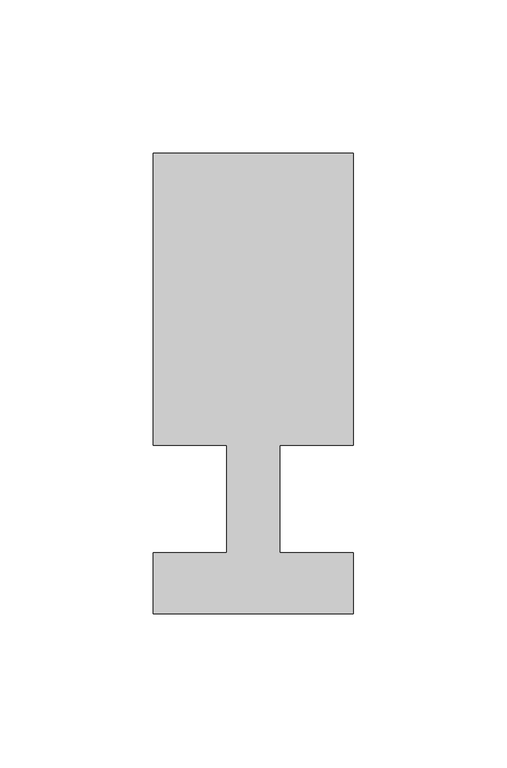
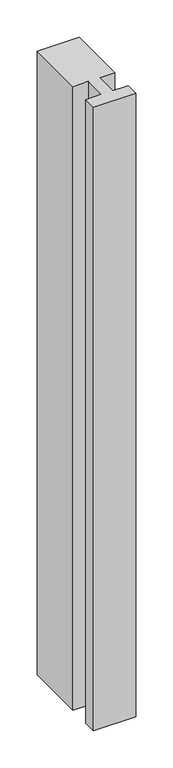
"""IFC4 building model written with IfcOpenShell, lengths in millimetres: member geometry."""

import ifcopenshell
import ifcopenshell.guid

model = None  # the IFC model being written
_history = None  # IfcOwnerHistory: only IFC2X3 demands one
_inside = {}  # id of a spatial element -> (the spatial element, [elements in it])
_under = {}  # id of a project, library or spatial element -> (it, [spatial elements below it])
_declared = {}  # id of a project -> (the project, [libraries it declares])
_typed = {}  # id of a type object -> (the type object, [elements of that type])
_made_of = {}  # id of a material, layer set ... -> (it, [elements and type objects made of it])


def new_model(schema):
    """Start an empty IFC model of exactly this schema.

    Asked for "IFC4X3", IfcOpenShell would pick the latest addendum, in which some entities
    have other attributes; the version numbers below select the first issue.
    IFC2X3 requires an IfcOwnerHistory on every rooted entity: one is made here for all.
    """
    global model, _history
    if schema == "IFC4X3":
        model = ifcopenshell.file(schema_version=(4, 3, 0, 0))
    else:
        model = ifcopenshell.file(schema=schema)
    _inside.clear()
    _under.clear()
    _declared.clear()
    _typed.clear()
    _made_of.clear()
    _history = None
    if model.schema == "IFC2X3":
        org = make("IfcOrganization", Name="unknown")
        user = make(
            "IfcPersonAndOrganization",
            ThePerson=make("IfcPerson", FamilyName="unknown"),
            TheOrganization=org,
        )
        app = make(
            "IfcApplication",
            ApplicationDeveloper=org,
            Version="unknown",
            ApplicationFullName="unknown",
            ApplicationIdentifier="unknown",
        )
        _history = make(
            "IfcOwnerHistory",
            OwningUser=user,
            OwningApplication=app,
            ChangeAction="ADDED",
            CreationDate=0,
        )
    return model


def make(cls, **values):
    """One entity of the class cls with the attributes given. An attribute that is None is left unset."""
    return model.create_entity(
        cls, **{name: value for name, value in values.items() if value is not None}
    )


def rooted(cls, **values):
    """An entity with a GlobalId (a new one), such as an element, a storey or a relation."""
    return make(cls, GlobalId=ifcopenshell.guid.new(), OwnerHistory=_history, **values)


def si_unit(unit_type, name, prefix=None):
    """IfcSIUnit, for example si_unit("LENGTHUNIT", "METRE", prefix="MILLI")."""
    return make("IfcSIUnit", UnitType=unit_type, Prefix=prefix, Name=name)


def assignment(units):
    """IfcUnitAssignment: the units of a project."""
    return None if units is None else make("IfcUnitAssignment", Units=units)


def point(xyz):
    """IfcCartesianPoint."""
    return None if xyz is None else make("IfcCartesianPoint", Coordinates=xyz)


def direction(xyz):
    """IfcDirection."""
    return None if xyz is None else make("IfcDirection", DirectionRatios=xyz)


def frame(location, z_axis=None, x_axis=None):
    """IfcAxis2Placement3D, a coordinate frame: its origin and axes. An axis left out is left unset."""
    return make(
        "IfcAxis2Placement3D",
        Location=point(location),
        Axis=direction(z_axis),
        RefDirection=direction(x_axis),
    )


def origin():
    """The frame at (0, 0, 0) with its axes left unset."""
    return frame((0.0, 0.0, 0.0))


def place(relative_to, where):
    """IfcLocalPlacement: puts the frame where relative to a parent placement (None: the world)."""
    return make(
        "IfcLocalPlacement", PlacementRelTo=relative_to, RelativePlacement=where
    )


def context(
    kind, dimensions, precision=None, world=None, true_north=None, identifier=None
):
    """IfcGeometricRepresentationContext, for example the 3D "Model" context."""
    return make(
        "IfcGeometricRepresentationContext",
        ContextIdentifier=identifier,
        ContextType=kind,
        CoordinateSpaceDimension=dimensions,
        Precision=precision,
        WorldCoordinateSystem=world,
        TrueNorth=true_north,
    )


def project(units=None, contexts=None):
    """IfcProject with its units and contexts."""
    return rooted(
        "IfcProject",
        Name="project",
        RepresentationContexts=contexts,
        UnitsInContext=assignment(units),
    )


def spatial(cls, under=None, at=None, **own):
    """A site, building, storey or space (cls), placed at a placement, below another one or the project."""
    s = rooted(cls, ObjectPlacement=at, **own)
    if under is not None:
        _under.setdefault(under.id(), (under, []))[1].append(s)
    return s


def polyline(points):
    """IfcPolyline through the points."""
    return make("IfcPolyline", Points=[point(p) for p in points])


def outline(outer, holes=None, kind="AREA"):
    """IfcArbitraryClosedProfileDef: a profile drawn as a closed curve; with holes, ...WithVoids."""
    if holes is None:
        return make("IfcArbitraryClosedProfileDef", ProfileType=kind, OuterCurve=outer)
    return make(
        "IfcArbitraryProfileDefWithVoids",
        ProfileType=kind,
        OuterCurve=outer,
        InnerCurves=holes,
    )


def extrude(swept, where, along, depth):
    """IfcExtrudedAreaSolid: the profile swept, set in the frame where, extruded along a direction by depth."""
    return make(
        "IfcExtrudedAreaSolid",
        SweptArea=swept,
        Position=where,
        ExtrudedDirection=direction(along),
        Depth=depth,
    )


def shape(context_of_items, identifier, shape_type, items):
    """IfcShapeRepresentation: the items that make up one representation, for example the "Body"."""
    return make(
        "IfcShapeRepresentation",
        ContextOfItems=context_of_items,
        RepresentationIdentifier=identifier,
        RepresentationType=shape_type,
        Items=items,
    )


def source(mapping_origin, context_of_items, identifier, shape_type, items):
    """IfcRepresentationMap: a shape defined once, which mapped items show again and again."""
    return make(
        "IfcRepresentationMap",
        MappingOrigin=mapping_origin,
        MappedRepresentation=shape(context_of_items, identifier, shape_type, items),
    )


def transform(
    local_origin,
    x_axis=None,
    y_axis=None,
    z_axis=None,
    scale=None,
    scale2=None,
    scale3=None,
    uniform=True,
):
    """IfcCartesianTransformationOperator3D, or its non-uniform kind. x_axis, y_axis, z_axis: its Axis1, 2, 3."""
    if uniform:
        return make(
            "IfcCartesianTransformationOperator3D",
            Axis1=direction(x_axis),
            Axis2=direction(y_axis),
            LocalOrigin=point(local_origin),
            Scale=scale,
            Axis3=direction(z_axis),
        )
    return make(
        "IfcCartesianTransformationOperator3DnonUniform",
        Axis1=direction(x_axis),
        Axis2=direction(y_axis),
        LocalOrigin=point(local_origin),
        Scale=scale,
        Axis3=direction(z_axis),
        Scale2=scale2,
        Scale3=scale3,
    )


def mapped(mapping_source, mapping_target):
    """IfcMappedItem: shows the shape of a source again, moved by a transform."""
    return make(
        "IfcMappedItem", MappingSource=mapping_source, MappingTarget=mapping_target
    )


def made_of(thing, what):
    """Note that an element or type object is made of a material, layer set ...; save() writes the relation."""
    if what is not None:
        _made_of.setdefault(what.id(), (what, []))[1].append(thing)
    return thing


def element(
    cls,
    number,
    at=None,
    inside=None,
    cuts=None,
    type_object=None,
    material=None,
    context=None,
    identifier="Body",
    shape_type=None,
    held_by="IfcProductDefinitionShape",
    body=None,
    shapes=None,
    **own,
):
    """One element of the class cls, such as IfcWall. Its Tag is "e" and its number.

    at: its placement. inside: the storey or other place that contains it. cuts: it is an
    opening in that element (IfcRelVoidsElement). A single representation is given by context,
    identifier, shape_type and body (its items); several are given by shapes. held_by: the class
    of the entity that holds the representations. save() writes the other relations.
    """
    e = rooted(cls, Tag="e%d" % number, ObjectPlacement=at, **own)
    if body is not None:
        shapes = [shape(context, identifier, shape_type, body)]
    if shapes is not None:
        e.Representation = make(held_by, Representations=shapes)
    if inside is not None:
        _inside.setdefault(inside.id(), (inside, []))[1].append(e)
    if cuts is not None:
        rooted(
            "IfcRelVoidsElement", RelatingBuildingElement=cuts, RelatedOpeningElement=e
        )
    if type_object is not None:
        _typed.setdefault(type_object.id(), (type_object, []))[1].append(e)
    return made_of(e, material)


def aggregate(whole, parts):
    """IfcRelAggregates: a whole, such as a stair, and the parts it consists of."""
    return rooted("IfcRelAggregates", RelatingObject=whole, RelatedObjects=parts)


def save(model, path):
    """Write the relations noted so far, then the file.

    IfcRelAggregates (storeys below a building ...), IfcRelContainedInSpatialStructure (elements
    in a storey), IfcRelDefinesByType, IfcRelAssociatesMaterial and IfcRelDeclares: one each for
    every whole, place, type object, material and project.
    """
    for whole, parts in _under.values():
        aggregate(whole, parts)
    for where, things in _inside.values():
        rooted(
            "IfcRelContainedInSpatialStructure",
            RelatedElements=things,
            RelatingStructure=where,
        )
    for kind, things in _typed.values():
        rooted("IfcRelDefinesByType", RelatedObjects=things, RelatingType=kind)
    for what, things in _made_of.values():
        rooted("IfcRelAssociatesMaterial", RelatedObjects=things, RelatingMaterial=what)
    for by, libraries in _declared.values():
        rooted("IfcRelDeclares", RelatingContext=by, RelatedDefinitions=libraries)
    model.write(path)


def member_91bc92cb(model_context):
    return source(origin(), model_context, "Body", "SweptSolid", [
        extrude(outline(polyline([(0.0, -37.0), (-65.0, -37.0), (-65.0, -17.0), (-41.1875, -17.0), (-41.1875, 18.0), (-65.0, 18.0), (-65.0, 113.0), (0.0, 113.0), (0.0, 18.0), (-23.8125, 18.0), (-23.8125, -17.0), (0.0, -17.0), (0.0, -37.0)])), frame((0.0, 0.0, -1018.3333333), z_axis=(0.0, 0.0, 1.0), x_axis=(1.0, 0.0, 0.0)), (0.0, 0.0, 1.0), 1018.3333333),
    ])


if __name__ == "__main__":
    model = new_model("IFC4")
    model_context = context("Model", 3, world=origin())
    ifc_project = project(units=[si_unit("LENGTHUNIT", "METRE", prefix="MILLI")], contexts=[model_context])
    site = spatial("IfcSite", under=ifc_project)
    building = spatial("IfcBuilding", under=site)
    placement = place(None, origin())
    member_shape = member_91bc92cb(model_context)
    element("IfcMember", 1, at=placement, inside=building, context=model_context, shape_type="MappedRepresentation", body=[
        mapped(member_shape, transform((0.0, 0.0, 0.0), x_axis=(1.0, 0.0, 0.0), y_axis=(0.0, 1.0, 0.0), z_axis=(0.0, 0.0, 1.0))),
    ])
    save(model, "model.ifc")
